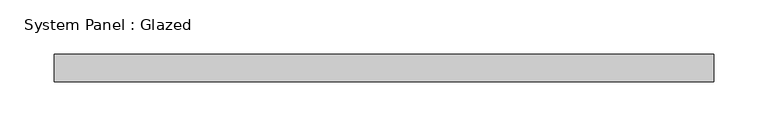
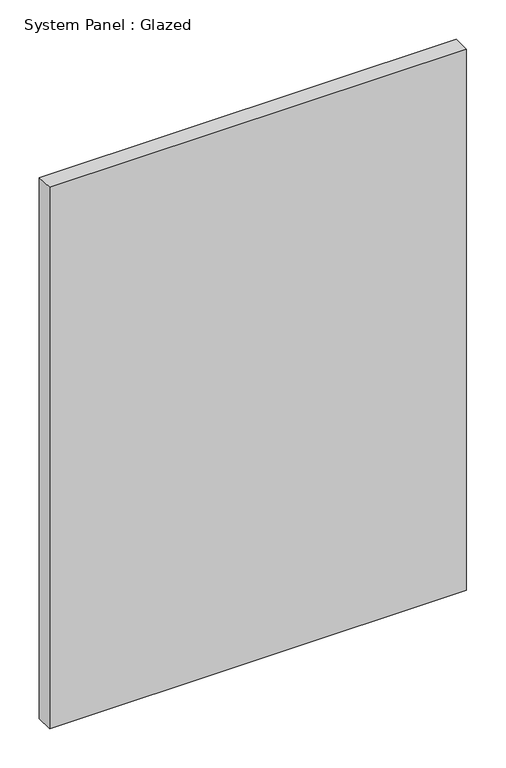
"""IFC4 building model written with IfcOpenShell, lengths in millimetres: plate geometry, System Panel : Glazed."""

from ifc_helpers import new_model, si_unit, origin, origin_with_axes, place, context, project, spatial, polyline, outline, extrude, source, transform, mapped, element, save


def system_panel_glazed_3cda6732(model_context):
    return source(origin(), model_context, "Body", "SweptSolid", [
        extrude(outline(polyline([(304.75, 19.05), (-304.75, 19.05), (-304.75, 44.45), (304.75, 44.45), (304.75, 19.05)])), origin_with_axes(), (0.0, 0.0, 1.0), 836.5),
    ])


if __name__ == "__main__":
    model = new_model("IFC4")
    model_context = context("Model", 3, world=origin())
    ifc_project = project(units=[si_unit("LENGTHUNIT", "METRE", prefix="MILLI")], contexts=[model_context])
    site = spatial("IfcSite", under=ifc_project)
    building = spatial("IfcBuilding", under=site)
    placement = place(None, origin())
    system_panel_glazed_shape = system_panel_glazed_3cda6732(model_context)
    element("IfcPlate", 1, ObjectType="System Panel : Glazed", at=placement, inside=building, context=model_context, shape_type="MappedRepresentation", body=[
        mapped(system_panel_glazed_shape, transform((0.0, 0.0, 0.0), x_axis=(1.0, 0.0, 0.0), y_axis=(0.0, 1.0, 0.0), z_axis=(0.0, 0.0, 1.0))),
    ])
    save(model, "model.ifc")
